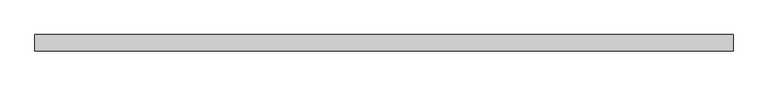
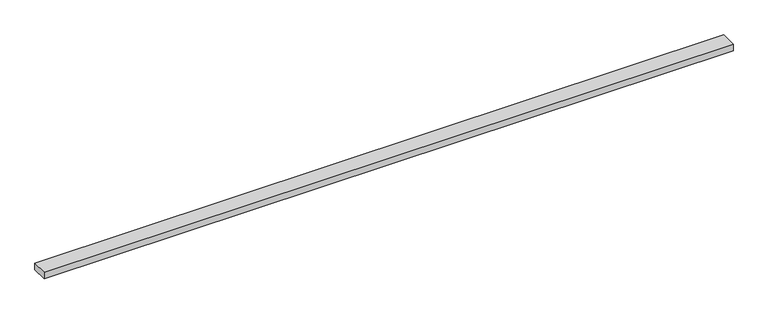
"""IFC4 building model written with IfcOpenShell, lengths in millimetres: beam geometry."""

from ifc_helpers import new_model, si_unit, frame, origin, place, context, project, spatial, polyline, outline, extrude, source, transform, mapped, element, save


def beam_4312605a(model_context):
    return source(origin(), model_context, "Body", "SweptSolid", [
        extrude(outline(polyline([(1097.9990611, 25.0), (1097.9990611, -25.0), (-1043.1415678, -25.0), (-1043.1415678, 25.0), (1097.9990611, 25.0)])), frame((0.0, 0.0, -11.0), z_axis=(0.0, 0.0, 1.0), x_axis=(1.0, 0.0, 0.0)), (0.0, 0.0, 1.0), 22.0),
    ])


if __name__ == "__main__":
    model = new_model("IFC4")
    model_context = context("Model", 3, world=origin())
    ifc_project = project(units=[si_unit("LENGTHUNIT", "METRE", prefix="MILLI")], contexts=[model_context])
    site = spatial("IfcSite", under=ifc_project)
    building = spatial("IfcBuilding", under=site)
    placement = place(None, origin())
    beam_shape = beam_4312605a(model_context)
    element("IfcBeam", 1, at=placement, inside=building, context=model_context, shape_type="MappedRepresentation", body=[
        mapped(beam_shape, transform((0.0, 0.0, 0.0), x_axis=(1.0, 0.0, 0.0), y_axis=(0.0, 1.0, 0.0), z_axis=(0.0, 0.0, 1.0))),
    ])
    save(model, "model.ifc")
